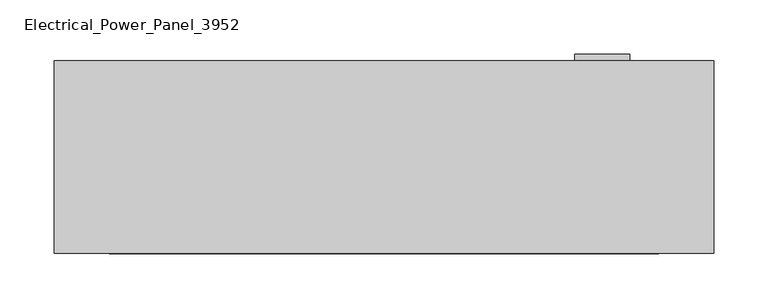
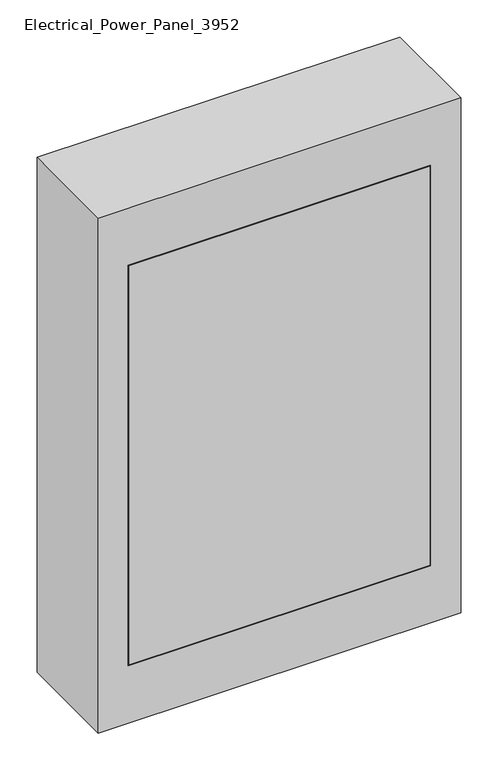
"""IFC4 building model written with IfcOpenShell, lengths in millimetres: proxy geometry, Electrical_Power_Panel_3952."""

from ifc_helpers import new_model, si_unit, frame, origin, place, context, project, spatial, polyline, outline, extrude, source, transform, mapped, element, save


def electrical_power_panel_3952_f8518574(model_context):
    return source(origin(), model_context, "Body", "SweptSolid", [
        extrude(outline(polyline([(1384.3, 473.8916868), (1358.9, 473.8916868), (1358.9, 524.6916868), (1384.3, 524.6916868), (1384.3, 473.8916868)]), holes=[polyline([(1377.95, 518.3416868), (1365.25, 518.3416868), (1365.25, 499.2916868), (1377.95, 499.2916868), (1377.95, 518.3416868)])]), frame((0.0, 245.8882129, 0.0), z_axis=(0.0, 1.0, 0.0), x_axis=(0.0, 0.0, 1.0)), (0.0, 0.0, 1.0), 6.35),
        extrude(outline(polyline([(45.2666868, 245.8882129), (550.0916868, 245.8882129), (550.0916868, 68.0882129), (45.2666868, 68.0882129), (45.2666868, 245.8882129)])), frame((0.0, 0.0, 1017.5875), z_axis=(0.0, 0.0, 1.0), x_axis=(1.0, 0.0, 0.0)), (0.0, 0.0, 1.0), 708.025),
        extrude(outline(polyline([(1828.8, -7.1208132), (914.4, -7.1208132), (914.4, 602.4791868), (1828.8, 602.4791868), (1828.8, -7.1208132)]), holes=[polyline([(1727.2, 551.6791868), (1016.0, 551.6791868), (1016.0, 43.6791868), (1727.2, 43.6791868), (1727.2, 551.6791868)])]), frame((0.0, 68.0882129, 0.0), z_axis=(0.0, 1.0, 0.0), x_axis=(0.0, 0.0, 1.0)), (0.0, 0.0, 1.0), 177.8),
    ])


if __name__ == "__main__":
    model = new_model("IFC4")
    model_context = context("Model", 3, world=origin())
    ifc_project = project(units=[si_unit("LENGTHUNIT", "METRE", prefix="MILLI")], contexts=[model_context])
    site = spatial("IfcSite", under=ifc_project)
    building = spatial("IfcBuilding", under=site)
    placement = place(None, origin())
    electrical_power_panel_3952_shape = electrical_power_panel_3952_f8518574(model_context)
    element("IfcBuildingElementProxy", 1, Name="Electrical_Power_Panel_3952", ObjectType="Electrical_Power_Panel_3952", at=placement, inside=building, context=model_context, shape_type="MappedRepresentation", body=[
        mapped(electrical_power_panel_3952_shape, transform((0.0, 0.0, 0.0), x_axis=(1.0, 0.0, 0.0), y_axis=(0.0, 1.0, 0.0), z_axis=(0.0, 0.0, 1.0))),
    ])
    save(model, "model.ifc")
